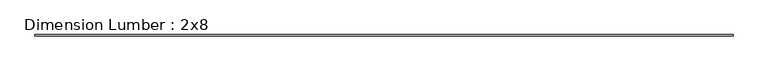
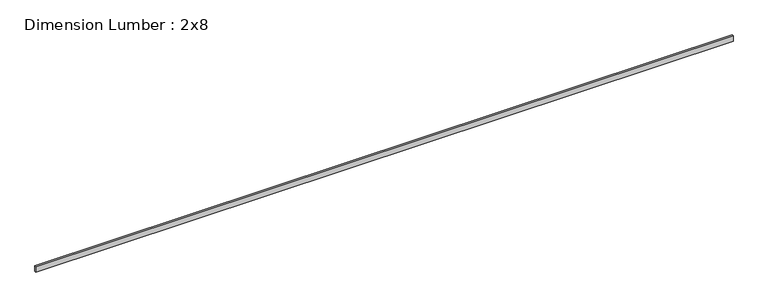
"""IFC4 building model written with IfcOpenShell, lengths in millimetres: beam geometry, Dimension Lumber : 2x8."""

from ifc_helpers import new_model, si_unit, frame, origin, place, context, project, spatial, polyline, outline, extrude, source, transform, mapped, element, save


def dimension_lumber_2x8_0e8c8bbb(model_context):
    return source(origin(), model_context, "Body", "SweptSolid", [
        extrude(outline(polyline([(11120.3059441, 19.05), (11120.3059441, -19.05), (-11120.3059441, -19.05), (-11120.3059441, 19.05), (11120.3059441, 19.05)])), frame((0.0, 0.0, -92.075), z_axis=(0.0, 0.0, 1.0), x_axis=(1.0, 0.0, 0.0)), (0.0, 0.0, 1.0), 184.15),
    ])


if __name__ == "__main__":
    model = new_model("IFC4")
    model_context = context("Model", 3, world=origin())
    ifc_project = project(units=[si_unit("LENGTHUNIT", "METRE", prefix="MILLI")], contexts=[model_context])
    site = spatial("IfcSite", under=ifc_project)
    building = spatial("IfcBuilding", under=site)
    placement = place(None, origin())
    dimension_lumber_2x8_shape = dimension_lumber_2x8_0e8c8bbb(model_context)
    element("IfcBeam", 1, ObjectType="Dimension Lumber : 2x8", at=placement, inside=building, context=model_context, shape_type="MappedRepresentation", body=[
        mapped(dimension_lumber_2x8_shape, transform((0.0, 0.0, 0.0), x_axis=(1.0, 0.0, 0.0), y_axis=(0.0, 1.0, 0.0), z_axis=(0.0, 0.0, 1.0))),
    ])
    save(model, "model.ifc")
